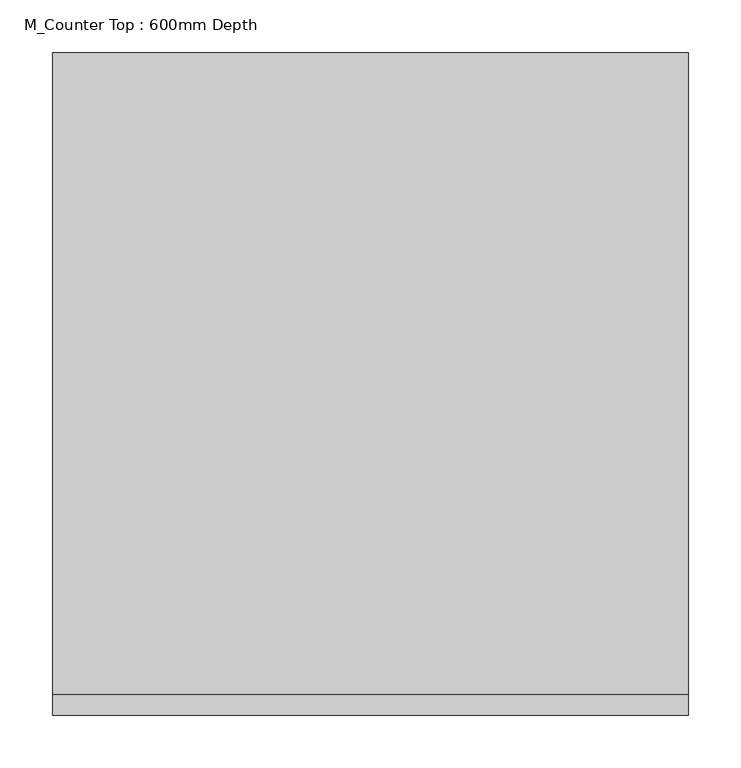
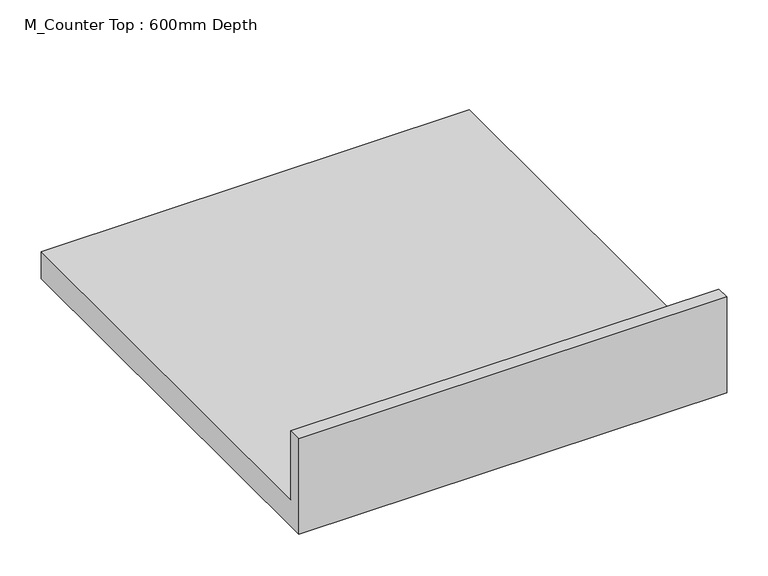
"""IFC4 building model written with IfcOpenShell, lengths in millimetres: furniture geometry, M_Counter Top : 600mm Depth."""

from ifc_helpers import new_model, si_unit, frame, origin, place, context, project, spatial, polyline, outline, extrude, source, transform, mapped, element, save


def m_counter_top_600mm_depth_ee1ccd4b(model_context):
    return source(origin(), model_context, "Body", "SweptSolid", [
        extrude(outline(polyline([(0.0, 1001.6), (19.05, 1001.6), (19.05, 900.0), (625.0, 900.0), (625.0, 860.0), (0.0, 860.0), (0.0, 1001.6)])), frame((-1200.4622951, 0.0, 0.0), z_axis=(1.0, 0.0, 0.0), x_axis=(0.0, 1.0, 0.0)), (0.0, 0.0, 1.0), 600.0),
    ])


if __name__ == "__main__":
    model = new_model("IFC4")
    model_context = context("Model", 3, world=origin())
    ifc_project = project(units=[si_unit("LENGTHUNIT", "METRE", prefix="MILLI")], contexts=[model_context])
    site = spatial("IfcSite", under=ifc_project)
    building = spatial("IfcBuilding", under=site)
    placement = place(None, origin())
    m_counter_top_600mm_depth_shape = m_counter_top_600mm_depth_ee1ccd4b(model_context)
    element("IfcFurniture", 1, ObjectType="M_Counter Top : 600mm Depth", at=placement, inside=building, context=model_context, shape_type="MappedRepresentation", body=[
        mapped(m_counter_top_600mm_depth_shape, transform((0.0, 0.0, 0.0), x_axis=(1.0, 0.0, 0.0), y_axis=(0.0, 1.0, 0.0), z_axis=(0.0, 0.0, 1.0))),
    ])
    save(model, "model.ifc")
